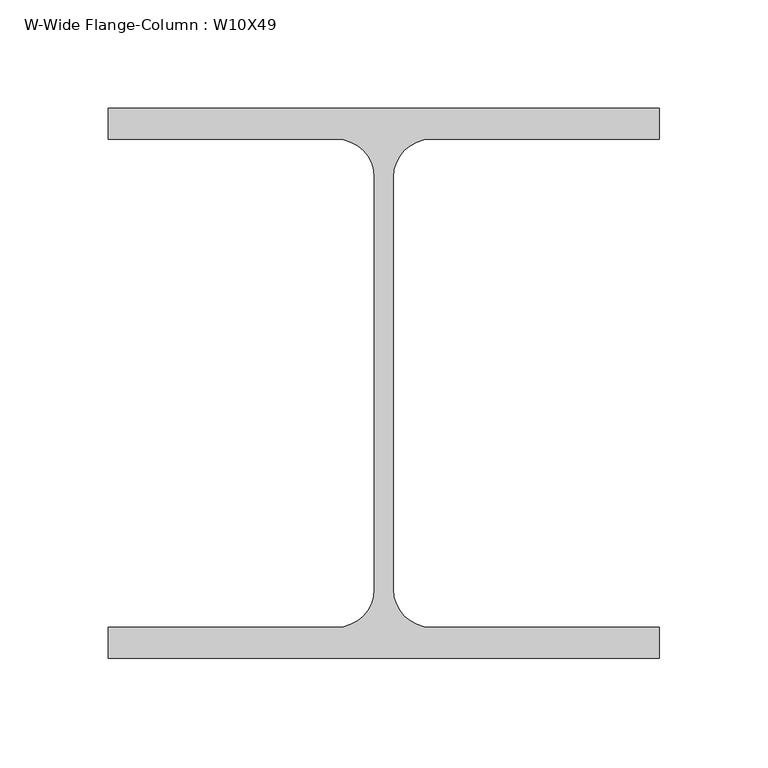
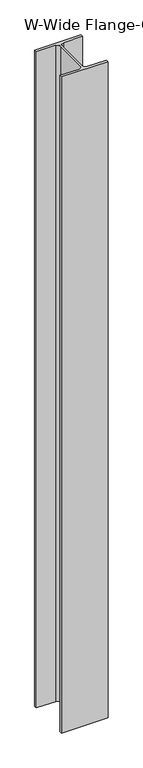
"""IFC4 building model written with IfcOpenShell, lengths in millimetres: column geometry, W-Wide Flange-Column : W10X49."""

from ifc_helpers import new_model, si_unit, point, frame, frame_2d, origin, place, context, project, spatial, polyline, circle_curve, trimmed, segment, composite_curve, outline, extrude, source, transform, mapped, element, save


def w_wide_flange_column_w10x49_8cb48a7b(model_context):
    return source(origin(), model_context, "Body", "SweptSolid", [
        extrude(outline(composite_curve([segment(polyline([(127.0, 126.7519531), (127.0, 112.5636719), (21.8777344, 112.5636719)]), True, "CONTINUOUS"), segment(trimmed(circle_curve(frame_2d((21.8777344, 95.0019531)), 17.5617188), [point((21.8777344, 112.5636719))], [point((4.3160156, 95.0019531))], True, "CARTESIAN"), True, "CONTINUOUS"), segment(polyline([(4.3160156, 95.0019531), (4.3160156, -95.0019531)]), True, "CONTINUOUS"), segment(trimmed(circle_curve(frame_2d((21.8777344, -95.0019531)), 17.5617187), [point((4.3160156, -95.0019531))], [point((21.8777344, -112.5636719))], True, "CARTESIAN"), True, "CONTINUOUS"), segment(polyline([(21.8777344, -112.5636719), (127.0, -112.5636719), (127.0, -126.7519531), (-127.0, -126.7519531), (-127.0, -112.5636719), (-21.8777344, -112.5636719)]), True, "CONTINUOUS"), segment(trimmed(circle_curve(frame_2d((-21.8777344, -95.0019531)), 17.5617187), [point((-21.8777344, -112.5636719))], [point((-4.3160156, -95.0019531))], True, "CARTESIAN"), True, "CONTINUOUS"), segment(polyline([(-4.3160156, -95.0019531), (-4.3160156, 95.0019531)]), True, "CONTINUOUS"), segment(trimmed(circle_curve(frame_2d((-21.8777344, 95.0019531)), 17.5617188), [point((-4.3160156, 95.0019531))], [point((-21.8777344, 112.5636719))], True, "CARTESIAN"), True, "CONTINUOUS"), segment(polyline([(-21.8777344, 112.5636719), (-127.0, 112.5636719), (-127.0, 126.7519531), (127.0, 126.7519531)]), True, "CONTINUOUS")], self_intersect=False)), frame((0.0, 0.0, 11150.6), z_axis=(0.0, 0.0, 1.0), x_axis=(1.0, 0.0, 0.0)), (0.0, 0.0, 1.0), 3784.6),
    ])


if __name__ == "__main__":
    model = new_model("IFC4")
    model_context = context("Model", 3, world=origin())
    ifc_project = project(units=[si_unit("LENGTHUNIT", "METRE", prefix="MILLI")], contexts=[model_context])
    site = spatial("IfcSite", under=ifc_project)
    building = spatial("IfcBuilding", under=site)
    placement = place(None, origin())
    w_wide_flange_column_w10x49_shape = w_wide_flange_column_w10x49_8cb48a7b(model_context)
    element("IfcColumn", 1, ObjectType="W-Wide Flange-Column : W10X49", at=placement, inside=building, context=model_context, shape_type="MappedRepresentation", body=[
        mapped(w_wide_flange_column_w10x49_shape, transform((0.0, 0.0, 0.0), x_axis=(1.0, 0.0, 0.0), y_axis=(0.0, 1.0, 0.0), z_axis=(0.0, 0.0, 1.0))),
    ])
    save(model, "model.ifc")
